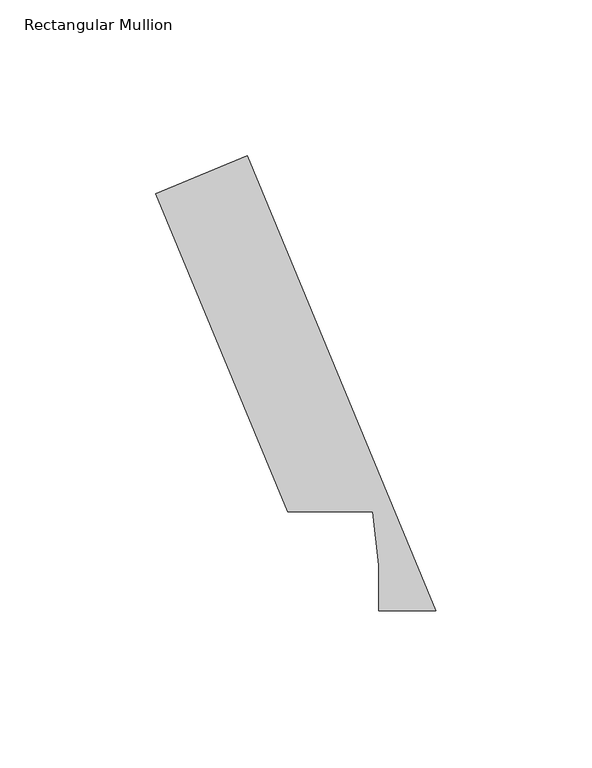
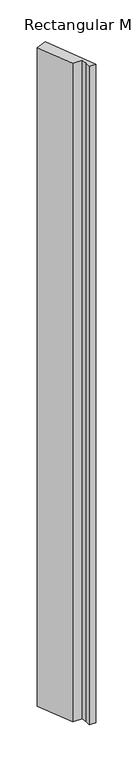
"""IFC4 building model written with IfcOpenShell, lengths in millimetres: member geometry, Rectangular Mullion."""

from ifc_helpers import new_model, si_unit, frame, origin, place, context, project, spatial, polyline, outline, extrude, source, transform, mapped, element, save


def rectangular_mullion_ddcc8631(model_context):
    return source(origin(), model_context, "Body", "SweptSolid", [
        extrude(outline(polyline([(-97.7891298, 153.2347441), (-68.4559547, 165.384943), (-8.0475254, 19.5460937), (-26.3173924, 19.5460937), (-26.3173924, 34.1720046), (-28.3687568, 51.2960938), (-55.5647583, 51.2960938), (-97.7891298, 153.2347441)])), frame((0.0, 0.0, -1993.9000001), z_axis=(0.0, 0.0, 1.0), x_axis=(1.0, 0.0, 0.0)), (0.0, 0.0, 1.0), 1993.9000001),
    ])


if __name__ == "__main__":
    model = new_model("IFC4")
    model_context = context("Model", 3, world=origin())
    ifc_project = project(units=[si_unit("LENGTHUNIT", "METRE", prefix="MILLI")], contexts=[model_context])
    site = spatial("IfcSite", under=ifc_project)
    building = spatial("IfcBuilding", under=site)
    placement = place(None, origin())
    rectangular_mullion_shape = rectangular_mullion_ddcc8631(model_context)
    element("IfcMember", 1, ObjectType="Rectangular Mullion", at=placement, inside=building, context=model_context, shape_type="MappedRepresentation", body=[
        mapped(rectangular_mullion_shape, transform((0.0, 0.0, 0.0), x_axis=(1.0, 0.0, 0.0), y_axis=(0.0, 1.0, 0.0), z_axis=(0.0, 0.0, 1.0))),
    ])
    save(model, "model.ifc")
